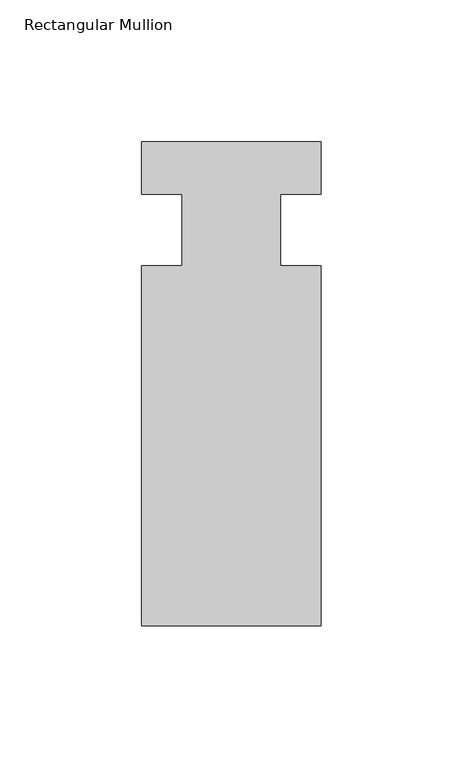
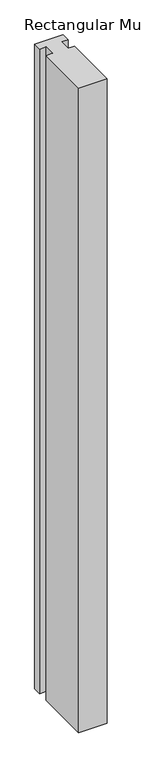
"""IFC4 building model written with IfcOpenShell, lengths in millimetres: member geometry, Rectangular Mullion."""

from ifc_helpers import new_model, si_unit, frame, origin, place, context, project, spatial, polyline, outline, extrude, source, transform, mapped, element, save


def rectangular_mullion_67f1fd15(model_context):
    return source(origin(), model_context, "Body", "SweptSolid", [
        extrude(outline(polyline([(-63.5, -139.6563438), (-63.5, -12.6563184), (-49.2125, -12.6563438), (-49.2125, 12.7436562), (-63.5, 12.7436562), (-63.5, 31.2539062), (0.0, 31.2539062), (0.0, 12.7436562), (-14.2875, 12.7436562), (-14.2875, -12.6563438), (0.0, -12.6563438), (0.0, -139.6563438), (-63.5, -139.6563438)])), frame((0.0, 0.0, -1528.096956), z_axis=(0.0, 0.0, 1.0), x_axis=(1.0, 0.0, 0.0)), (0.0, 0.0, 1.0), 1528.096956),
    ])


if __name__ == "__main__":
    model = new_model("IFC4")
    model_context = context("Model", 3, world=origin())
    ifc_project = project(units=[si_unit("LENGTHUNIT", "METRE", prefix="MILLI")], contexts=[model_context])
    site = spatial("IfcSite", under=ifc_project)
    building = spatial("IfcBuilding", under=site)
    placement = place(None, origin())
    rectangular_mullion_shape = rectangular_mullion_67f1fd15(model_context)
    element("IfcMember", 1, ObjectType="Rectangular Mullion", at=placement, inside=building, context=model_context, shape_type="MappedRepresentation", body=[
        mapped(rectangular_mullion_shape, transform((0.0, 0.0, 0.0), x_axis=(1.0, 0.0, 0.0), y_axis=(0.0, 1.0, 0.0), z_axis=(0.0, 0.0, 1.0))),
    ])
    save(model, "model.ifc")
